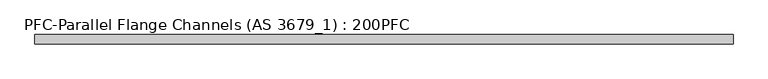
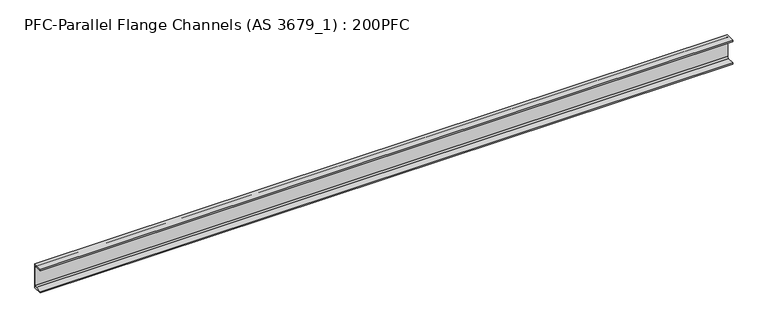
"""IFC4 building model written with IfcOpenShell, lengths in millimetres: beam geometry, PFC-Parallel Flange Channels (AS 3679_1) : 200PFC."""

from ifc_helpers import new_model, si_unit, point, frame, frame_2d, origin, place, context, project, spatial, polyline, circle_curve, trimmed, segment, composite_curve, outline, extrude, source, transform, mapped, element, save


def pfc_parallel_flange_channels_as_3679_1_200pfc_5979c312(model_context):
    return source(origin(), model_context, "Body", "SweptSolid", [
        extrude(outline(composite_curve([segment(polyline([(24.4, 100.0), (24.4, -100.0), (-50.6, -100.0), (-50.6, -88.0), (6.4, -88.0)]), True, "CONTINUOUS"), segment(trimmed(circle_curve(frame_2d((6.4, -76.0)), 12.0), [point((6.4, -88.0))], [point((18.4, -76.0))], True, "CARTESIAN"), True, "CONTINUOUS"), segment(polyline([(18.4, -76.0), (18.4, 76.0)]), True, "CONTINUOUS"), segment(trimmed(circle_curve(frame_2d((6.4, 76.0)), 12.0), [point((18.4, 76.0))], [point((6.4, 88.0))], True, "CARTESIAN"), True, "CONTINUOUS"), segment(polyline([(6.4, 88.0), (-50.6, 88.0), (-50.6, 100.0), (24.4, 100.0)]), True, "CONTINUOUS")], self_intersect=False)), frame((-2758.8, 0.0, 0.0), z_axis=(1.0, 0.0, 0.0), x_axis=(0.0, 1.0, 0.0)), (0.0, 0.0, 1.0), 5517.6),
    ])


if __name__ == "__main__":
    model = new_model("IFC4")
    model_context = context("Model", 3, world=origin())
    ifc_project = project(units=[si_unit("LENGTHUNIT", "METRE", prefix="MILLI")], contexts=[model_context])
    site = spatial("IfcSite", under=ifc_project)
    building = spatial("IfcBuilding", under=site)
    placement = place(None, origin())
    pfc_parallel_flange_channels_as_3679_1_200pfc_shape = pfc_parallel_flange_channels_as_3679_1_200pfc_5979c312(model_context)
    element("IfcBeam", 1, ObjectType="PFC-Parallel Flange Channels (AS 3679_1) : 200PFC", at=placement, inside=building, context=model_context, shape_type="MappedRepresentation", body=[
        mapped(pfc_parallel_flange_channels_as_3679_1_200pfc_shape, transform((0.0, 0.0, 0.0), x_axis=(1.0, 0.0, 0.0), y_axis=(0.0, 1.0, 0.0), z_axis=(0.0, 0.0, 1.0))),
    ])
    save(model, "model.ifc")
